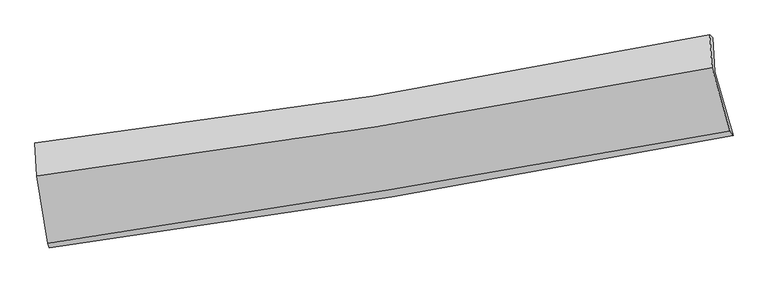
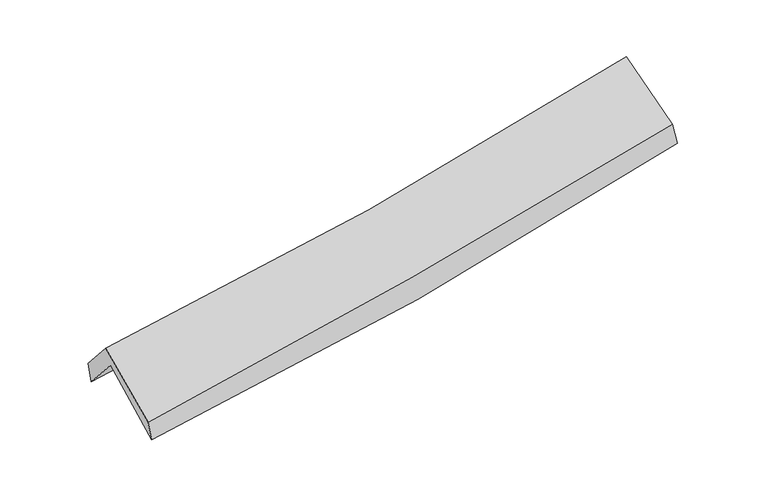
"""IFC4 building model written with IfcOpenShell, lengths in millimetres: proxy geometry."""

from ifc_helpers import new_model, si_unit, frame, origin, place, context, project, spatial, source, transform, mapped, element, save
from ifc_brep_helpers import plane_surface, spline_curve, spline_surface, advanced_brep


def generic_models_7671cc3e(model_context):
    return source(origin(), model_context, "Body", "AdvancedBrep", [
        advanced_brep(
        [(-2526.5497102, -2501.2183305, 1486.934867), (-2607.9355422, -2002.4213433, 1919.1659523), (2544.6341796, -1157.3002288, 2377.5708877), (2683.6684496, -1643.1587513, 1953.6055663), (-2623.4097931, -1727.6034371, 1601.0031028), (2528.7897659, -897.6300847, 2084.4370868), (-2635.0671608, -1701.9639507, 1764.8048717), (2506.8892406, -875.2894284, 2241.7894782), (-2621.0207381, -1951.4240694, 2053.6104424), (2523.2133629, -1125.0211649, 2514.0487234), (-2538.5708775, -2466.5014121, 1637.4365848), (2658.1190641, -1608.4047398, 2122.6489923)],
        [
            (0, 1),
            (1, 2, spline_curve(3, [(-2607.9355422, -2002.4213433, 1919.1659523), (-1744.077431771, -1887.282102769, 1961.440449897), (-883.671719282, -1759.462202124, 2020.66096763), (833.880961615, -1477.863297454, 2173.318106892), (1690.998489723, -1323.976159932, 2266.89923403), (2544.6341796, -1157.3002288, 2377.5708877)], [4, 2, 4], [0.0, 8.631782818605352, 17.300291006222313])),
            (2, 3),
            (3, 0, spline_curve(3, [(2683.6684496, -1643.1587513, 1953.6055663), (1821.458410316, -1812.072602873, 1841.456851135), (955.238353933, -1968.159113513, 1746.447019652), (-781.534938739, -2254.070513623, 1591.035035105), (-1652.054269113, -2384.003862927, 1530.487966705), (-2526.5497102, -2501.2183305, 1486.934867)], [4, 2, 4], [0.0, 8.668508187616961, 17.300291006222313])),
            (1, 4),
            (4, 5, spline_curve(3, [(-2623.4097931, -1727.6034371, 1601.0031028), (-1759.249216245, -1616.572567795, 1646.763810838), (-898.72266555, -1492.068173433, 1709.808042181), (818.708176641, -1215.525283946, 1870.805319336), (1675.58147888, -1063.371894191, 1968.905749457), (2528.7897659, -897.6300847, 2084.4370868)], [4, 2, 4], [0.0, 8.582735739880325, 17.201988169742336])),
            (5, 2),
            (4, 6),
            (6, 7, spline_curve(3, [(-2635.0671608, -1701.9639507, 1764.8048717), (-1772.221514191, -1599.351957523, 1816.322640451), (-913.203800795, -1479.339673388, 1881.716344163), (800.814308877, -1203.929879346, 2040.59288682), (1655.782062414, -1048.383989095, 2134.194051976), (2506.8892406, -875.2894284, 2241.7894782)], [4, 2, 4], [0.0, 8.573303189261205, 17.18308293613405])),
            (7, 5),
            (6, 8),
            (8, 9, spline_curve(3, [(-2621.0207381, -1951.4240694, 2053.6104424), (-1759.228556505, -1840.380784677, 2102.024846701), (-900.549690226, -1716.166444934, 2164.490561312), (814.221558484, -1440.81112524, 2317.850166818), (1670.287392604, -1289.557830328, 2408.863878802), (2523.2133629, -1125.0211649, 2514.0487234)], [4, 2, 4], [0.0, 8.564362752126737, 17.165164023274503])),
            (9, 7),
            (8, 10),
            (10, 11, spline_curve(3, [(-2538.5708775, -2466.5014121, 1637.4365848), (-1669.44562397, -2337.938732103, 1700.781992697), (-802.739657551, -2202.316153468, 1772.784811897), (929.510953314, -1916.34413218, 1934.448455394), (1795.034967528, -1765.934486645, 2024.183105334), (2658.1190641, -1608.4047398, 2122.6489923)], [4, 2, 4], [0.0, 8.611737518055644, 17.26011511902672])),
            (11, 9),
            (10, 0),
            (3, 11),
        ],
        [
            spline_surface(3, 3, [[(-2526.5497102, -2501.2183305, 1486.934867), (-1652.054269037, -2384.003863003, 1530.487966754), (-781.534938728, -2254.070513689, 1591.035035002), (955.238353921, -1968.159113446, 1746.447019756), (1821.458410191, -1812.072602998, 1841.456851277), (2683.6684496, -1643.1587513, 1953.6055663)], [(-2553.678320853, -2334.952668086, 1631.01189542), (-1682.728656586, -2218.42994291, 1674.138794476), (-815.58053223, -2089.201076505, 1734.243679233), (914.785889774, -1804.727174808, 1888.737382075), (1777.971769995, -1649.373788641, 1983.270978883), (2637.323692941, -1481.205910459, 2094.927340107)], [(-2580.806931547, -2168.687005714, 1775.08892388), (-1713.403044174, -2052.856022857, 1817.789622238), (-849.626125689, -1924.331639275, 1877.452323521), (874.33342567, -1641.295236125, 2031.02774445), (1734.485129778, -1486.674974307, 2125.085106468), (2590.978936259, -1319.253069641, 2236.249113893)], [(-2607.9355422, -2002.4213433, 1919.1659523), (-1744.077431723, -1887.282102763, 1961.44044996), (-883.671719191, -1759.462202091, 2020.660967752), (833.880961523, -1477.863297487, 2173.318106769), (1690.998489583, -1323.976159951, 2266.899234073), (2544.6341796, -1157.3002288, 2377.5708877)]], [4, 4], [4, 2, 4], [0.0, 2.1722736159223324], [0.0, 8.631782818605352, 17.300291006222313]),
            spline_surface(3, 3, [[(-2607.9355422, -2002.4213433, 1919.1659523), (-1744.077431723, -1887.282102763, 1961.44044996), (-883.671719191, -1759.462202091, 2020.660967752), (833.880961523, -1477.863297487, 2173.318106769), (1690.998489583, -1323.976159951, 2266.899234073), (2544.6341796, -1157.3002288, 2377.5708877)], [(-2613.093625858, -1910.815374597, 1813.111669132), (-1749.134693215, -1797.045591156, 1856.548236933), (-888.688701276, -1670.330859206, 1917.043325924), (828.823366517, -1390.417292967, 2072.480510986), (1685.859485975, -1237.108071371, 2167.568072481), (2539.352708355, -1070.743514084, 2279.859620703)], [(-2618.251709442, -1819.209405803, 1707.057385968), (-1754.191954631, -1706.809079457, 1751.656023909), (-893.705683344, -1581.199516329, 1813.425684011), (823.765771527, -1302.971288455, 1971.642915117), (1680.720482401, -1150.239982838, 2068.23691098), (2534.071237145, -984.186799416, 2182.148353797)], [(-2623.4097931, -1727.6034371, 1601.0031028), (-1759.249216123, -1616.57256785, 1646.763810883), (-898.72266543, -1492.068173444, 1709.808042183), (818.708176521, -1215.525283935, 1870.805319333), (1675.581478793, -1063.371894258, 1968.905749388), (2528.7897659, -897.6300847, 2084.4370868)]], [4, 4], [4, 2, 4], [0.0, 1.3303399941016327], [0.0, 8.582735739880325, 17.201988169742336]),
            spline_surface(3, 3, [[(-2623.4097931, -1727.6034371, 1601.0031028), (-1759.249216123, -1616.57256785, 1646.763810883), (-898.72266543, -1492.068173444, 1709.808042183), (818.708176521, -1215.525283935, 1870.805319333), (1675.581478793, -1063.371894258, 1968.905749388), (2528.7897659, -897.6300847, 2084.4370868)], [(-2627.295582329, -1719.056941625, 1655.603692448), (-1763.573315498, -1610.832364374, 1703.283420775), (-903.549710522, -1487.825340129, 1767.110809483), (812.743553979, -1211.66014905, 1927.401175132), (1668.981673342, -1058.375925892, 2024.001850277), (2521.489590791, -890.183199264, 2136.887883943)], [(-2631.181371571, -1710.510446175, 1710.204282052), (-1767.897414883, -1605.092160924, 1759.803030624), (-908.376755667, -1483.582506792, 1824.413576869), (806.778931383, -1207.795014142, 1983.997031016), (1662.381867916, -1053.379957532, 2079.097951137), (2514.189415709, -882.736313836, 2189.338681057)], [(-2635.0671608, -1701.9639507, 1764.8048717), (-1772.221514258, -1599.351957448, 1816.322640516), (-913.203800759, -1479.339673477, 1881.716344169), (800.81430884, -1203.929879257, 2040.592886814), (1655.782062465, -1048.383989166, 2134.194052026), (2506.8892406, -875.2894284, 2241.7894782)]], [4, 4], [4, 2, 4], [0.0, 0.5644340446040845], [0.0, 8.573303189261205, 17.18308293613405]),
            spline_surface(3, 3, [[(-2635.0671608, -1701.9639507, 1764.8048717), (-1772.221514258, -1599.351957448, 1816.322640516), (-913.203800759, -1479.339673477, 1881.716344169), (800.81430884, -1203.929879257, 2040.592886814), (1655.782062465, -1048.383989166, 2134.194052026), (2506.8892406, -875.2894284, 2241.7894782)], [(-2630.385019887, -1785.117323607, 1861.073395264), (-1767.890528335, -1679.694899872, 1911.5567092), (-908.985763951, -1558.281930584, 1975.974416588), (805.283392095, -1282.890294608, 2133.011980117), (1660.617172567, -1128.775269593, 2225.75066098), (2512.330614711, -958.533340583, 2332.542559923)], [(-2625.702879013, -1868.270696493, 1957.341918836), (-1763.559542451, -1760.037842275, 2006.790777892), (-904.767727148, -1637.224187724, 2070.232488997), (809.752475344, -1361.850709992, 2225.431073411), (1665.452282637, -1209.166549971, 2317.307269966), (2517.771988789, -1041.777252717, 2423.295641677)], [(-2621.0207381, -1951.4240694, 2053.6104424), (-1759.228556528, -1840.380784699, 2102.024846576), (-900.54969034, -1716.16644483, 2164.490561416), (814.221558599, -1440.811125343, 2317.850166714), (1670.28739274, -1289.557830398, 2408.86387892), (2523.2133629, -1125.0211649, 2514.0487234)]], [4, 4], [4, 2, 4], [0.0, 1.2039922795750209], [0.0, 8.564362752126737, 17.165164023274503]),
            spline_surface(3, 3, [[(-2621.0207381, -1951.4240694, 2053.6104424), (-1759.228556528, -1840.380784699, 2102.024846576), (-900.54969034, -1716.16644483, 2164.490561416), (814.221558599, -1440.811125343, 2317.850166714), (1670.28739274, -1289.557830398, 2408.86387892), (2523.2133629, -1125.0211649, 2514.0487234)], [(-2593.537451221, -2123.116516937, 1914.885823197), (-1729.300912309, -2006.23343381, 1968.277228578), (-867.946346084, -1878.216347693, 2033.921978217), (852.651356823, -1599.322127624, 2190.049596291), (1711.869917655, -1448.350049181, 2280.636954427), (2568.181929964, -1286.1490232, 2383.582146384)], [(-2566.054164379, -2294.808964563, 1776.161204003), (-1699.373268126, -2172.086083009, 1834.529610589), (-835.343001796, -2040.266250577, 1903.353395031), (891.081155079, -1757.833129927, 2062.249025881), (1753.452442578, -1607.142267964, 2152.410029881), (2613.150497036, -1447.2768815, 2253.115569316)], [(-2538.5708775, -2466.5014121, 1637.4365848), (-1669.445623907, -2337.93873212, 1700.781992591), (-802.73965754, -2202.31615344, 1772.784811833), (929.510953303, -1916.344132208, 1934.448455459), (1795.034967494, -1765.934486748, 2024.183105388), (2658.1190641, -1608.4047398, 2122.6489923)]], [4, 4], [4, 2, 4], [0.0, 2.056047307394998], [0.0, 8.611737518055644, 17.26011511902672]),
            spline_surface(3, 3, [[(-2538.5708775, -2466.5014121, 1637.4365848), (-1669.445623907, -2337.93873212, 1700.781992591), (-802.73965754, -2202.31615344, 1772.784811833), (929.510953303, -1916.344132208, 1934.448455459), (1795.034967494, -1765.934486748, 2024.183105388), (2658.1190641, -1608.4047398, 2122.6489923)], [(-2534.563821751, -2478.073718247, 1587.269345539), (-1663.648505635, -2353.293775762, 1644.017317318), (-795.671417925, -2219.567606855, 1712.201552909), (938.08675352, -1933.615792619, 1871.781310244), (1803.842781731, -1781.31385884, 1963.274354025), (2666.635525938, -1619.989410309, 2066.30118364)], [(-2530.556765949, -2489.646024353, 1537.102106261), (-1657.85138731, -2368.648819361, 1587.252642027), (-788.603178343, -2236.819060275, 1651.618293926), (946.662553704, -1950.887453035, 1809.11416497), (1812.650595953, -1796.693230906, 1902.365602641), (2675.151987762, -1631.574080791, 2009.95337496)], [(-2526.5497102, -2501.2183305, 1486.934867), (-1652.054269037, -2384.003863003, 1530.487966754), (-781.534938728, -2254.070513689, 1591.035035002), (955.238353921, -1968.159113446, 1746.447019756), (1821.458410191, -1812.072602998, 1841.456851277), (2683.6684496, -1643.1587513, 1953.6055663)]], [4, 4], [4, 2, 4], [0.0, 0.6346251862185335], [0.0, 8.669660634370722, 17.37620779527874]),
            plane_surface(frame((2574.2190105, -1217.800733, 2215.6834558), z_axis=(0.9768313526299162, 0.1836471568354346, 0.10988280259198788), x_axis=(0.21196999460097687, -0.759514333765786, -0.6149851203022527))),
            plane_surface(frame((-2592.0923036, -2058.5220905, 1743.8259702), z_axis=(-0.9918144812785397, -0.11645988025819806, -0.052355811677670165), x_axis=(-0.07759542806785753, 0.22409422414874225, 0.9714734830380803))),
        ],
        [
            (0, [[1, 2, 3, 4]]),
            (1, [[5, 6, 7, -2]]),
            (2, [[8, 9, 10, -6]]),
            (3, [[11, 12, 13, -9]]),
            (4, [[14, 15, 16, -12]]),
            (5, [[17, -4, 18, -15]]),
            (6, [[-16, -18, -3, -7, -10, -13]]),
            (7, [[-17, -14, -11, -8, -5, -1]]),
        ],
    ),
    ])


if __name__ == "__main__":
    model = new_model("IFC4")
    model_context = context("Model", 3, world=origin())
    ifc_project = project(units=[si_unit("LENGTHUNIT", "METRE", prefix="MILLI")], contexts=[model_context])
    site = spatial("IfcSite", under=ifc_project)
    building = spatial("IfcBuilding", under=site)
    placement = place(None, origin())
    generic_models_shape = generic_models_7671cc3e(model_context)
    element("IfcBuildingElementProxy", 1, Name="Generic Models", at=placement, inside=building, context=model_context, shape_type="MappedRepresentation", body=[
        mapped(generic_models_shape, transform((0.0, 0.0, 0.0), x_axis=(1.0, 0.0, 0.0), y_axis=(0.0, 1.0, 0.0), z_axis=(0.0, 0.0, 1.0))),
    ])
    save(model, "model.ifc")
